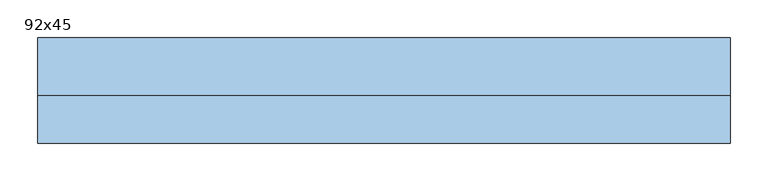
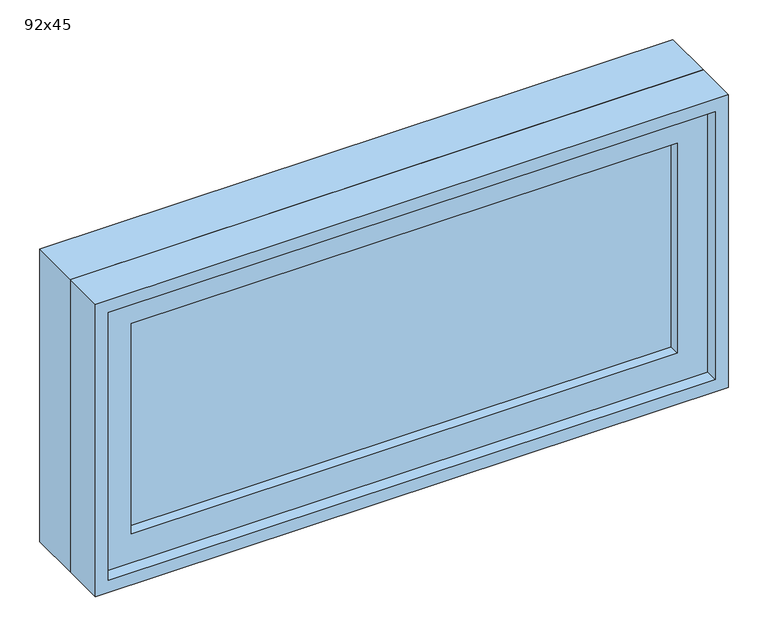
"""IFC4 building model written with IfcOpenShell, lengths in millimetres: window geometry, 92x45."""

from ifc_helpers import new_model, si_unit, frame, origin, place, context, project, spatial, polyline, outline, extrude, source, transform, mapped, element, save


def window_92x45_5bd94000(model_context):
    return source(origin(), model_context, "Body", "SweptSolid", [
        extrude(outline(polyline([(358.4, -22.375), (358.4, -35.075), (-434.6, -35.075), (-434.6, -22.375), (358.4, -22.375)])), frame((0.0, 0.0, 977.9), z_axis=(0.0, 0.0, 1.0), x_axis=(1.0, 0.0, 0.0)), (0.0, 0.0, 1.0), 323.0),
        extrude(outline(polyline([(1345.35, -479.05), (933.45, -479.05), (933.45, 402.85), (1345.35, 402.85), (1345.35, -479.05)]), holes=[polyline([(1300.9, -434.6), (1300.9, 358.4), (977.9, 358.4), (977.9, -434.6), (1300.9, -434.6)])]), frame((0.0, -50.95, 0.0), z_axis=(0.0, 1.0, 0.0), x_axis=(0.0, 0.0, 1.0)), (0.0, 0.0, 1.0), 44.45),
        extrude(outline(polyline([(1364.4, -498.1), (914.4, -498.1), (914.4, 421.9), (1364.4, 421.9), (1364.4, -498.1)]), holes=[polyline([(1332.65, -466.35), (1332.65, 390.15), (946.15, 390.15), (946.15, -466.35), (1332.65, -466.35)])]), frame((0.0, -6.5, 0.0), z_axis=(0.0, 1.0, 0.0), x_axis=(0.0, 0.0, 1.0)), (0.0, 0.0, 1.0), 76.5),
        extrude(outline(polyline([(1364.4, 421.9), (1364.4, -498.1), (914.4, -498.1), (914.4, 421.9), (1364.4, 421.9)]), holes=[polyline([(1345.35, 402.85), (933.45, 402.85), (933.45, -479.05), (1345.35, -479.05), (1345.35, 402.85)])]), frame((0.0, -70.0, 0.0), z_axis=(0.0, 1.0, 0.0), x_axis=(0.0, 0.0, 1.0)), (0.0, 0.0, 1.0), 63.5),
    ])


if __name__ == "__main__":
    model = new_model("IFC4")
    model_context = context("Model", 3, world=origin())
    ifc_project = project(units=[si_unit("LENGTHUNIT", "METRE", prefix="MILLI")], contexts=[model_context])
    site = spatial("IfcSite", under=ifc_project)
    building = spatial("IfcBuilding", under=site)
    placement = place(None, origin())
    window_92x45_shape = window_92x45_5bd94000(model_context)
    element("IfcWindow", 1, ObjectType="92x45", at=placement, inside=building, context=model_context, shape_type="MappedRepresentation", body=[
        mapped(window_92x45_shape, transform((0.0, 0.0, 0.0), x_axis=(1.0, 0.0, 0.0), y_axis=(0.0, 1.0, 0.0), z_axis=(0.0, 0.0, 1.0))),
    ])
    save(model, "model.ifc")
